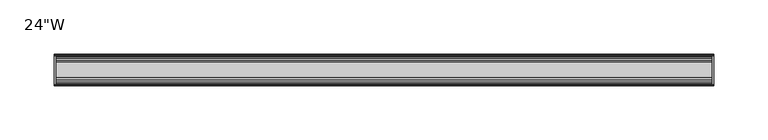
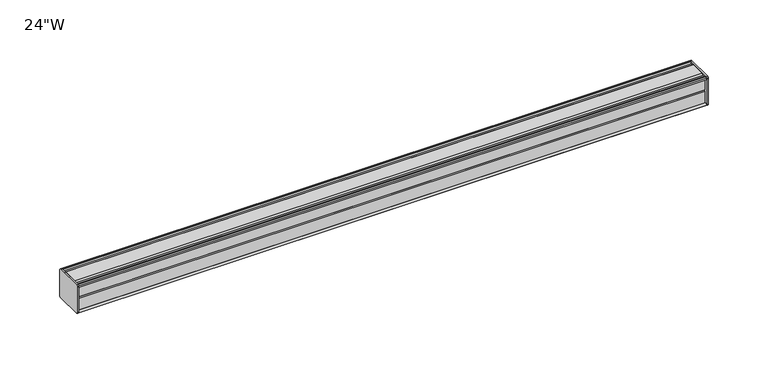
"""IFC4 building model written with IfcOpenShell, lengths in millimetres: furniture geometry."""

from ifc_helpers import new_model, si_unit, frame, origin, place, context, project, spatial, circle_curve, source, transform, mapped, element, save
from ifc_brep_helpers import plane_surface, cylinder_surface, advanced_brep


def furniture_b1a3b6d5(model_context):
    return source(origin(), model_context, "Body", "AdvancedBrep", [
        advanced_brep(
        [(303.2125, 14.5851562, 1107.2436262), (303.2125, 14.5851562, 1081.0932877), (303.2125, 14.4138595, 1080.2873997), (303.2125, 13.8374434, 1079.7109837), (303.2125, 12.9019306, 1079.4603131), (303.2125, -13.4067434, 1079.4603131), (303.2125, -14.3040014, 1080.3575711), (303.2125, -14.5851563, 1081.1259798), (303.2125, -14.5851563, 1107.0443327), (303.2125, -14.3040014, 1107.8127414), (303.2125, -13.4464303, 1108.6703125), (303.2125, 13.0500437, 1108.6703125), (303.2125, 13.8374434, 1108.4593288), (303.2125, 14.4138595, 1107.8829128), (304.8, 14.6248431, 1107.0955131), (304.8, 14.4138595, 1107.8829128), (304.8, 13.8374434, 1108.4593288), (304.8, 13.0500437, 1108.6703125), (304.8, -13.4464303, 1108.6703125), (304.8, -14.3040014, 1107.8127414), (304.8, -14.5851563, 1107.0443327), (304.8, -14.5851563, 1081.1259798), (304.8, -14.3040014, 1080.3575711), (304.8, -13.4067434, 1079.4603131), (304.8, 12.9019306, 1079.4603131), (304.8, 13.8374434, 1079.7109837), (304.8, 14.4138595, 1080.2873997), (304.8, 14.5851562, 1081.0932877)],
        [
            (0, 1),
            (1, 2),
            (2, 3),
            (3, 4),
            (4, 5),
            (5, 6),
            (6, 7, circle_curve(frame((303.2125, -13.3945313, 1081.1259798), z_axis=(-1.0, 0.0, 0.0), x_axis=(0.0, 1.0, 0.0)), 1.190625)),
            (7, 8),
            (8, 9, circle_curve(frame((303.2125, -13.3945313, 1107.0443327), z_axis=(-1.0, 0.0, 0.0), x_axis=(0.0, 1.0, 0.0)), 1.190625)),
            (9, 10),
            (10, 11),
            (11, 12),
            (12, 13),
            (13, 0),
            (14, 15),
            (15, 16),
            (16, 17),
            (17, 18),
            (18, 19),
            (19, 20, circle_curve(frame((304.8, -13.3945313, 1107.0443327), z_axis=(1.0, 0.0, 0.0), x_axis=(0.0, 1.0, 0.0)), 1.190625)),
            (20, 21),
            (21, 22, circle_curve(frame((304.8, -13.3945313, 1081.1259798), z_axis=(1.0, 0.0, 0.0), x_axis=(0.0, 1.0, 0.0)), 1.190625)),
            (22, 23),
            (23, 24),
            (24, 25),
            (25, 26),
            (26, 27),
            (27, 14),
            (13, 15),
            (14, 0),
            (12, 16),
            (11, 17),
            (10, 18),
            (9, 19),
            (8, 20),
            (7, 21),
            (6, 22),
            (5, 23),
            (4, 24),
            (3, 25),
            (2, 26),
            (1, 27),
        ],
        [
            plane_surface(frame((303.2125, 14.5851562, 1081.0932877), z_axis=(-1.0, 0.0, 0.0), x_axis=(0.0, 0.0, -1.0))),
            plane_surface(frame((304.8, 14.5851562, 1081.0932877), z_axis=(1.0, 0.0, 0.0), x_axis=(0.0, 0.0, 1.0))),
            plane_surface(frame((303.2125, 14.4138595, 1107.8829128), z_axis=(0.0, 0.9659256560349851, 0.25881968049857335), x_axis=(1.0, 0.0, 0.0))),
            plane_surface(frame((303.2125, 13.8374434, 1108.4593288), z_axis=(0.0, 0.7071067811866345, 0.7071067811864606), x_axis=(1.0, 0.0, 0.0))),
            plane_surface(frame((303.2125, 13.0500437, 1108.6703125), z_axis=(0.0, 0.2588196804711877, 0.9659256560423232), x_axis=(1.0, 0.0, 0.0))),
            plane_surface(frame((303.2125, -13.4464303, 1108.6703125), z_axis=(0.0, 0.0, 1.0), x_axis=(1.0, 0.0, 0.0))),
            plane_surface(frame((303.2125, -14.3040014, 1107.8127414), z_axis=(0.0, -0.70710678117674, 0.7071067811963553), x_axis=(1.0, 0.0, 0.0))),
            cylinder_surface(frame((304.8, -13.3945313, 1107.0443327), z_axis=(-1.0, 0.0, 0.0), x_axis=(0.0, 1.0, 0.0)), 1.190625),
            plane_surface(frame((303.2125, -14.5851563, 1081.1259798), z_axis=(0.0, -1.0, 0.0), x_axis=(1.0, 0.0, 0.0))),
            cylinder_surface(frame((304.8, -13.3945313, 1081.1259798), z_axis=(-1.0, 0.0, 0.0), x_axis=(0.0, 1.0, 0.0)), 1.190625),
            plane_surface(frame((303.2125, -13.4067434, 1079.4603131), z_axis=(0.0, -0.7071067811917087, -0.7071067811813864), x_axis=(1.0, 0.0, 0.0))),
            plane_surface(frame((303.2125, 12.9019306, 1079.4603131), z_axis=(0.0, 0.0, -1.0), x_axis=(1.0, 0.0, 0.0))),
            plane_surface(frame((303.2125, 13.8374434, 1079.7109837), z_axis=(0.0, 0.2588196804985645, -0.9659256560349875), x_axis=(1.0, 0.0, 0.0))),
            plane_surface(frame((303.2125, 14.4138595, 1080.2873997), z_axis=(0.0, 0.7071067811865204, -0.7071067811865748), x_axis=(1.0, 0.0, 0.0))),
            plane_surface(frame((303.2125, 14.5851562, 1081.0932877), z_axis=(0.0, 0.9781476007310527, -0.207911690830711), x_axis=(1.0, 0.0, 0.0))),
            plane_surface(frame((303.2125, 14.5851562, 1107.2436262), z_axis=(0.0, 1.0, 0.0), x_axis=(1.0, 0.0, 0.0))),
        ],
        [
            (0, [[1, 2, 3, 4, 5, 6, 7, 8, 9, 10, 11, 12, 13, 14]]),
            (1, [[15, 16, 17, 18, 19, 20, 21, 22, 23, 24, 25, 26, 27, 28]]),
            (2, [[-14, 29, -15, 30]]),
            (3, [[-13, 31, -16, -29]]),
            (4, [[-12, 32, -17, -31]]),
            (5, [[-11, 33, -18, -32]]),
            (6, [[-10, 34, -19, -33]]),
            (7, [[-9, 35, -20, -34]]),
            (8, [[-8, 36, -21, -35]]),
            (9, [[-7, 37, -22, -36]]),
            (10, [[-6, 38, -23, -37]]),
            (11, [[-5, 39, -24, -38]]),
            (12, [[-4, 40, -25, -39]]),
            (13, [[-3, 41, -26, -40]]),
            (14, [[-2, 42, -27, -41]]),
            (15, [[-1, -30, -28, -42]]),
        ],
    ),
        advanced_brep(
        [(-303.2125, 14.6248431, 1107.0955131), (-303.2125, 14.4138595, 1107.8829128), (-303.2125, 13.8374434, 1108.4593288), (-303.2125, 13.0500437, 1108.6703125), (-303.2125, -13.4464303, 1108.6703125), (-303.2125, -14.3040014, 1107.8127414), (-303.2125, -14.5851563, 1107.0443327), (-303.2125, -14.5851563, 1081.1259798), (-303.2125, -14.3040014, 1080.3575711), (-303.2125, -13.4067434, 1079.4603131), (-303.2125, 12.9019306, 1079.4603131), (-303.2125, 13.8374434, 1079.7109837), (-303.2125, 14.4138595, 1080.2873997), (-303.2125, 14.5851562, 1081.0932877), (-304.8, 14.5851562, 1107.2436262), (-304.8, 14.5851562, 1081.0932877), (-304.8, 14.4138595, 1080.2873997), (-304.8, 13.8374434, 1079.7109837), (-304.8, 12.9019306, 1079.4603131), (-304.8, -13.4067434, 1079.4603131), (-304.8, -14.3040014, 1080.3575711), (-304.8, -14.5851563, 1081.1259798), (-304.8, -14.5851563, 1107.0443327), (-304.8, -14.3040014, 1107.8127414), (-304.8, -13.4464303, 1108.6703125), (-304.8, 13.0500437, 1108.6703125), (-304.8, 13.8374434, 1108.4593288), (-304.8, 14.4138595, 1107.8829128)],
        [
            (0, 1),
            (1, 2),
            (2, 3),
            (3, 4),
            (4, 5),
            (5, 6, circle_curve(frame((-303.2125, -13.3945313, 1107.0443327), z_axis=(1.0, 0.0, 0.0), x_axis=(0.0, 1.0, 0.0)), 1.190625)),
            (6, 7),
            (7, 8, circle_curve(frame((-303.2125, -13.3945313, 1081.1259798), z_axis=(1.0, 0.0, 0.0), x_axis=(0.0, 1.0, 0.0)), 1.190625)),
            (8, 9),
            (9, 10),
            (10, 11),
            (11, 12),
            (12, 13),
            (13, 0),
            (14, 15),
            (15, 16),
            (16, 17),
            (17, 18),
            (18, 19),
            (19, 20),
            (20, 21, circle_curve(frame((-304.8, -13.3945313, 1081.1259798), z_axis=(-1.0, 0.0, 0.0), x_axis=(0.0, 1.0, 0.0)), 1.190625)),
            (21, 22),
            (22, 23, circle_curve(frame((-304.8, -13.3945313, 1107.0443327), z_axis=(-1.0, 0.0, 0.0), x_axis=(0.0, 1.0, 0.0)), 1.190625)),
            (23, 24),
            (24, 25),
            (25, 26),
            (26, 27),
            (27, 14),
            (0, 14),
            (27, 1),
            (26, 2),
            (25, 3),
            (24, 4),
            (23, 5),
            (22, 6),
            (21, 7),
            (20, 8),
            (19, 9),
            (18, 10),
            (17, 11),
            (16, 12),
            (15, 13),
        ],
        [
            plane_surface(frame((-303.2125, 14.6248431, 1107.0955131), z_axis=(1.0000000000000002, 0.0, 0.0), x_axis=(0.0, -0.25881968043900594, 0.9659256560509463))),
            plane_surface(frame((-304.8, 14.6248431, 1107.0955131), z_axis=(-1.0000000000000002, 0.0, 0.0), x_axis=(0.0, 0.25881968043900594, -0.9659256560509463))),
            plane_surface(frame((-303.2125, 14.6248431, 1107.0955131), z_axis=(0.0, 0.9659256560509463, 0.25881968043900594), x_axis=(-1.0, 0.0, 0.0))),
            plane_surface(frame((-303.2125, 14.4138595, 1107.8829128), z_axis=(0.0, 0.7071067810675442, 0.7071067813055509), x_axis=(-1.0, 0.0, 0.0))),
            plane_surface(frame((-303.2125, 13.8374434, 1108.4593288), z_axis=(0.0, 0.25881968048355775, 0.9659256560390086), x_axis=(-1.0, 0.0, 0.0))),
            plane_surface(frame((-303.2125, 13.0500437, 1108.6703125), z_axis=(0.0, 0.0, 1.0), x_axis=(-1.0, 0.0, 0.0))),
            plane_surface(frame((-303.2125, -13.4464303, 1108.6703125), z_axis=(0.0, -0.7071067811880787, 0.7071067811850164), x_axis=(-1.0, 0.0, 0.0))),
            cylinder_surface(frame((-304.8, -13.3945313, 1107.0443327), z_axis=(1.0, 0.0, 0.0), x_axis=(0.0, 1.0, 0.0)), 1.190625),
            plane_surface(frame((-303.2125, -14.5851563, 1107.0443327), z_axis=(0.0, -1.0, 0.0), x_axis=(-1.0, 0.0, 0.0))),
            cylinder_surface(frame((-304.8, -13.3945313, 1081.1259798), z_axis=(1.0, 0.0, 0.0), x_axis=(0.0, 1.0, 0.0)), 1.190625),
            plane_surface(frame((-303.2125, -14.3040014, 1080.3575711), z_axis=(0.0, -0.7071067811864808, -0.7071067811866142), x_axis=(-1.0, 0.0, 0.0))),
            plane_surface(frame((-303.2125, -13.4067434, 1079.4603131), z_axis=(0.0, 0.0, -1.0), x_axis=(-1.0, 0.0, 0.0))),
            plane_surface(frame((-303.2125, 12.9019306, 1079.4603131), z_axis=(0.0, 0.25881968049856513, -0.9659256560349874), x_axis=(-1.0, 0.0, 0.0))),
            plane_surface(frame((-303.2125, 13.8374434, 1079.7109837), z_axis=(0.0, 0.707106781186519, -0.7071067811865761), x_axis=(-1.0, 0.0, 0.0))),
            plane_surface(frame((-303.2125, 14.4138595, 1080.2873997), z_axis=(0.0, 0.9781476007314348, -0.20791169082891317), x_axis=(-1.0, 0.0, 0.0))),
            plane_surface(frame((-303.2125, 14.5851562, 1081.0932877), z_axis=(0.0, 1.0, 0.0), x_axis=(-1.0, 0.0, 0.0))),
        ],
        [
            (0, [[1, 2, 3, 4, 5, 6, 7, 8, 9, 10, 11, 12, 13, 14]]),
            (1, [[15, 16, 17, 18, 19, 20, 21, 22, 23, 24, 25, 26, 27, 28]]),
            (2, [[-1, 29, -28, 30]]),
            (3, [[-2, -30, -27, 31]]),
            (4, [[-3, -31, -26, 32]]),
            (5, [[-4, -32, -25, 33]]),
            (6, [[-5, -33, -24, 34]]),
            (7, [[-6, -34, -23, 35]]),
            (8, [[-7, -35, -22, 36]]),
            (9, [[-8, -36, -21, 37]]),
            (10, [[-9, -37, -20, 38]]),
            (11, [[-10, -38, -19, 39]]),
            (12, [[-11, -39, -18, 40]]),
            (13, [[-12, -40, -17, 41]]),
            (14, [[-13, -41, -16, 42]]),
            (15, [[-14, -42, -15, -29]]),
        ],
    ),
        advanced_brep(
        [(303.2125, -7.3748315, 1108.6703125), (303.2125, -8.9105708, 1107.6395796), (303.2125, -10.7601399, 1107.6395796), (303.2125, -12.2958792, 1108.6703125), (303.2125, -13.4464303, 1108.6703125), (303.2125, -14.3040014, 1107.8127414), (303.2125, -13.3945313, 1105.8537077), (303.2125, -13.3945313, 1106.765312), (303.2125, -12.2039063, 1106.765312), (303.2125, -12.2039063, 1094.8590632), (303.2125, -11.4101564, 1094.0653134), (303.2125, -12.2039063, 1093.2715636), (303.2125, -12.2039063, 1081.3653131), (303.2125, -13.3945313, 1081.3653131), (303.2125, -13.3945313, 1082.3166048), (303.2125, -14.3040014, 1080.3575711), (303.2125, -13.4067434, 1079.4603131), (303.2125, -12.2958792, 1079.4603131), (303.2125, -10.7601399, 1080.4910471), (303.2125, -8.9105708, 1080.4910471), (303.2125, -7.4339628, 1079.5), (303.2125, 7.4145184, 1079.5), (303.2125, 8.9502576, 1080.5307329), (303.2125, 10.7998291, 1080.5307329), (303.2125, 12.2275037, 1079.5), (303.2125, 13.0500437, 1079.5), (303.2125, 13.8374434, 1079.7109837), (303.2125, 14.4138595, 1080.2873997), (303.2125, 14.5851562, 1081.0932877), (303.2125, 14.5851562, 1107.2436262), (303.2125, 14.4138595, 1107.8829128), (303.2125, 13.8374434, 1108.4593288), (303.2125, 13.0500437, 1108.6703125), (303.2125, 12.2275037, 1108.6703125), (303.2125, 10.7998291, 1107.6395796), (303.2125, 8.9502576, 1107.6395796), (303.2125, 7.4145184, 1108.6703125), (-303.2125, -7.3748315, 1108.6703125), (-303.2125, 7.4145184, 1108.6703125), (-303.2125, 8.9502576, 1107.6395796), (-303.2125, 10.7998291, 1107.6395796), (-303.2125, 12.2275037, 1108.6703125), (-303.2125, 13.0500437, 1108.6703125), (-303.2125, 13.8374434, 1108.4593288), (-303.2125, 14.4138595, 1107.8829128), (-303.2125, 14.6248431, 1107.0955131), (-303.2125, 14.5851562, 1081.0932877), (-303.2125, 14.4138595, 1080.2873997), (-303.2125, 13.8374434, 1079.7109837), (-303.2125, 13.0500437, 1079.5), (-303.2125, 12.2275037, 1079.5), (-303.2125, 10.7998291, 1080.5307329), (-303.2125, 8.9502576, 1080.5307329), (-303.2125, 7.4145184, 1079.5), (-303.2125, -7.4339628, 1079.5), (-303.2125, -8.9105708, 1080.4910471), (-303.2125, -10.7601399, 1080.4910471), (-303.2125, -12.2958792, 1079.4603131), (-303.2125, -13.4067434, 1079.4603131), (-303.2125, -14.3040014, 1080.3575711), (-303.2125, -13.3945313, 1082.3166048), (-303.2125, -13.3945313, 1081.3653131), (-303.2125, -12.2039063, 1081.3653131), (-303.2125, -12.2039063, 1093.2715636), (-303.2125, -11.4101564, 1094.0653134), (-303.2125, -12.2039063, 1094.8590632), (-303.2125, -12.2039063, 1106.765312), (-303.2125, -13.3945313, 1106.765312), (-303.2125, -13.3945313, 1105.8537077), (-303.2125, -14.3040014, 1107.8127414), (-303.2125, -13.4464303, 1108.6703125), (-303.2125, -12.2958792, 1108.6703125), (-303.2125, -10.7601399, 1107.6395796), (-303.2125, -8.9105708, 1107.6395796)],
        [
            (0, 1),
            (1, 2),
            (2, 3),
            (3, 4),
            (4, 5),
            (5, 6, circle_curve(frame((303.2125, -13.3945313, 1107.0443327), z_axis=(1.0, 0.0, 0.0), x_axis=(0.0, 1.0, 0.0)), 1.190625)),
            (6, 7),
            (7, 8),
            (8, 9),
            (9, 10),
            (10, 11),
            (11, 12),
            (12, 13),
            (13, 14),
            (14, 15, circle_curve(frame((303.2125, -13.3945313, 1081.1259798), z_axis=(1.0, 0.0, 0.0), x_axis=(0.0, 1.0, 0.0)), 1.190625)),
            (15, 16),
            (16, 17),
            (17, 18),
            (18, 19),
            (19, 20),
            (20, 21),
            (21, 22),
            (22, 23),
            (23, 24),
            (24, 25),
            (25, 26),
            (26, 27),
            (27, 28),
            (28, 29),
            (29, 30),
            (30, 31),
            (31, 32),
            (32, 33),
            (33, 34),
            (34, 35),
            (35, 36),
            (36, 0),
            (37, 38),
            (38, 39),
            (39, 40),
            (40, 41),
            (41, 42),
            (42, 43),
            (43, 44),
            (44, 45),
            (45, 46),
            (46, 47),
            (47, 48),
            (48, 49),
            (49, 50),
            (50, 51),
            (51, 52),
            (52, 53),
            (53, 54),
            (54, 55),
            (55, 56),
            (56, 57),
            (57, 58),
            (58, 59),
            (59, 60, circle_curve(frame((-303.2125, -13.3945313, 1081.1259798), z_axis=(-1.0, 0.0, 0.0), x_axis=(0.0, 1.0, 0.0)), 1.190625)),
            (60, 61),
            (61, 62),
            (62, 63),
            (63, 64),
            (64, 65),
            (65, 66),
            (66, 67),
            (67, 68),
            (68, 69, circle_curve(frame((-303.2125, -13.3945313, 1107.0443327), z_axis=(-1.0, 0.0, 0.0), x_axis=(0.0, 1.0, 0.0)), 1.190625)),
            (69, 70),
            (70, 71),
            (71, 72),
            (72, 73),
            (73, 37),
            (0, 37),
            (73, 1),
            (72, 2),
            (71, 3),
            (70, 4),
            (69, 5),
            (68, 6),
            (67, 7),
            (66, 8),
            (65, 9),
            (64, 10),
            (63, 11),
            (62, 12),
            (61, 13),
            (60, 14),
            (59, 15),
            (58, 16),
            (57, 17),
            (56, 18),
            (55, 19),
            (54, 20),
            (53, 21),
            (52, 22),
            (51, 23),
            (50, 24),
            (49, 25),
            (48, 26),
            (47, 27),
            (46, 28),
            (45, 29),
            (44, 30),
            (43, 31),
            (42, 32),
            (41, 33),
            (40, 34),
            (39, 35),
            (38, 36),
        ],
        [
            plane_surface(frame((303.2125, -7.3748315, 1108.6703125), z_axis=(1.0, 0.0, 0.0), x_axis=(0.0, -0.8303227972604666, -0.5572827400427488))),
            plane_surface(frame((-303.2125, -7.3748315, 1108.6703125), z_axis=(-1.0, 0.0, 0.0), x_axis=(0.0, 0.8303227972604666, 0.5572827400427488))),
            plane_surface(frame((303.2125, -7.3748315, 1108.6703125), z_axis=(0.0, -0.5572827400427488, 0.8303227972604666), x_axis=(-1.0, 0.0, 0.0))),
            plane_surface(frame((303.2125, -8.9105708, 1107.6395796), z_axis=(0.0, 0.0, 1.0), x_axis=(-1.0, 0.0, 0.0))),
            plane_surface(frame((303.2125, -10.7601399, 1107.6395796), z_axis=(0.0, 0.5572827400427491, 0.8303227972604665), x_axis=(-1.0, 0.0, 0.0))),
            plane_surface(frame((303.2125, -12.2958792, 1108.6703125), z_axis=(0.0, 0.0, 1.0), x_axis=(-1.0, 0.0, 0.0))),
            plane_surface(frame((303.2125, -13.4464303, 1108.6703125), z_axis=(0.0, -0.7071067811811537, 0.7071067811919414), x_axis=(-1.0, 0.0, 0.0))),
            cylinder_surface(frame((-303.2125, -13.3945313, 1107.0443327), z_axis=(1.0, 0.0, 0.0), x_axis=(0.0, 1.0, 0.0)), 1.190625),
            plane_surface(frame((303.2125, -13.3945313, 1105.8537077), z_axis=(0.0, 1.0, 0.0), x_axis=(-1.0, 0.0, 0.0))),
            plane_surface(frame((303.2125, -13.3945313, 1106.765312), z_axis=(0.0, 0.0, -1.0), x_axis=(-1.0, 0.0, 0.0))),
            plane_surface(frame((303.2125, -12.2039063, 1106.765312), z_axis=(0.0, -1.0, 0.0), x_axis=(-1.0, 0.0, 0.0))),
            plane_surface(frame((303.2125, -12.2039063, 1094.8590632), z_axis=(0.0, -0.7071067811865155, -0.7071067811865795), x_axis=(-1.0, 0.0, 0.0))),
            plane_surface(frame((303.2125, -11.4101564, 1094.0653134), z_axis=(0.0, -0.7071067811865522, 0.7071067811865428), x_axis=(-1.0, 0.0, 0.0))),
            plane_surface(frame((303.2125, -12.2039063, 1093.2715636), z_axis=(0.0, -1.0, 0.0), x_axis=(-1.0, 0.0, 0.0))),
            plane_surface(frame((303.2125, -12.2039063, 1081.3653131), z_axis=(0.0, 0.0, 1.0), x_axis=(-1.0, 0.0, 0.0))),
            plane_surface(frame((303.2125, -13.3945313, 1081.3653131), z_axis=(0.0, 1.0, 0.0), x_axis=(-1.0, 0.0, 0.0))),
            cylinder_surface(frame((-303.2125, -13.3945313, 1081.1259798), z_axis=(1.0, 0.0, 0.0), x_axis=(0.0, 1.0, 0.0)), 1.190625),
            plane_surface(frame((303.2125, -14.3040014, 1080.3575711), z_axis=(0.0, -0.7071067811865884, -0.7071067811865067), x_axis=(-1.0, 0.0, 0.0))),
            plane_surface(frame((303.2125, -13.4067434, 1079.4603131), z_axis=(0.0, 0.0, -1.0), x_axis=(-1.0, 0.0, 0.0))),
            plane_surface(frame((303.2125, -12.2958792, 1079.4603131), z_axis=(0.0, 0.5572831632988446, -0.8303225131860712), x_axis=(-1.0, 0.0, 0.0))),
            plane_surface(frame((303.2125, -10.7601399, 1080.4910471), z_axis=(0.0, 0.0, -1.0), x_axis=(-1.0, 0.0, 0.0))),
            plane_surface(frame((303.2125, -8.9105708, 1080.4910471), z_axis=(0.0, -0.5572831633038827, -0.8303225131826898), x_axis=(-1.0, 0.0, 0.0))),
            plane_surface(frame((303.2125, -7.4339628, 1079.5), z_axis=(0.0, 0.0, -1.0), x_axis=(-1.0, 0.0, 0.0))),
            plane_surface(frame((303.2125, 7.4145184, 1079.5), z_axis=(0.0, 0.5572827400524372, -0.8303227972539643), x_axis=(-1.0, 0.0, 0.0))),
            plane_surface(frame((303.2125, 8.9502576, 1080.5307329), z_axis=(0.0, 0.0, -1.0), x_axis=(-1.0, 0.0, 0.0))),
            plane_surface(frame((303.2125, 10.7998291, 1080.5307329), z_axis=(0.0, -0.5853541342124147, -0.8107777362264177), x_axis=(-1.0, 0.0, 0.0))),
            plane_surface(frame((303.2125, 12.2275037, 1079.5), z_axis=(0.0, 0.0, -1.0), x_axis=(-1.0, 0.0, 0.0))),
            plane_surface(frame((303.2125, 13.0500437, 1079.5), z_axis=(0.0, 0.2588196804985639, -0.9659256560349877), x_axis=(-1.0, 0.0, 0.0))),
            plane_surface(frame((303.2125, 13.8374434, 1079.7109837), z_axis=(0.0, 0.7071067811865592, -0.7071067811865358), x_axis=(-1.0, 0.0, 0.0))),
            plane_surface(frame((303.2125, 14.4138595, 1080.2873997), z_axis=(0.0, 0.9781476007314349, -0.20791169082891267), x_axis=(-1.0, 0.0, 0.0))),
            plane_surface(frame((303.2125, 14.5851562, 1081.0932877), z_axis=(0.0, 1.0, 0.0), x_axis=(-1.0, 0.0, 0.0))),
            plane_surface(frame((303.2125, 14.6248431, 1107.0955131), z_axis=(0.0, 0.9659256560510352, 0.2588196804386741), x_axis=(-1.0, 0.0, 0.0))),
            plane_surface(frame((303.2125, 14.4138595, 1107.8829128), z_axis=(0.0, 0.7071067810667451, 0.70710678130635), x_axis=(-1.0, 0.0, 0.0))),
            plane_surface(frame((303.2125, 13.8374434, 1108.4593288), z_axis=(0.0, 0.25881968048369114, 0.9659256560389728), x_axis=(-1.0, 0.0, 0.0))),
            plane_surface(frame((303.2125, 13.0500437, 1108.6703125), z_axis=(0.0, 0.0, 1.0), x_axis=(-1.0, 0.0, 0.0))),
            plane_surface(frame((303.2125, 12.2275037, 1108.6703125), z_axis=(0.0, -0.5853541342075637, 0.8107777362299199), x_axis=(-1.0, 0.0, 0.0))),
            plane_surface(frame((303.2125, 10.7998291, 1107.6395796), z_axis=(0.0, 0.0, 1.0), x_axis=(-1.0, 0.0, 0.0))),
            plane_surface(frame((303.2125, 8.9502576, 1107.6395796), z_axis=(0.0, 0.5572827400427491, 0.8303227972604665), x_axis=(-1.0, 0.0, 0.0))),
            plane_surface(frame((303.2125, 7.4145184, 1108.6703125), z_axis=(0.0, 0.0, 1.0), x_axis=(-1.0, 0.0, 0.0))),
        ],
        [
            (0, [[1, 2, 3, 4, 5, 6, 7, 8, 9, 10, 11, 12, 13, 14, 15, 16, 17, 18, 19, 20, 21, 22, 23, 24, 25, 26, 27, 28, 29, 30, 31, 32, 33, 34, 35, 36, 37]]),
            (1, [[38, 39, 40, 41, 42, 43, 44, 45, 46, 47, 48, 49, 50, 51, 52, 53, 54, 55, 56, 57, 58, 59, 60, 61, 62, 63, 64, 65, 66, 67, 68, 69, 70, 71, 72, 73, 74]]),
            (2, [[-1, 75, -74, 76]]),
            (3, [[-2, -76, -73, 77]]),
            (4, [[-3, -77, -72, 78]]),
            (5, [[-4, -78, -71, 79]]),
            (6, [[-5, -79, -70, 80]]),
            (7, [[-6, -80, -69, 81]]),
            (8, [[-7, -81, -68, 82]]),
            (9, [[-8, -82, -67, 83]]),
            (10, [[-9, -83, -66, 84]]),
            (11, [[-10, -84, -65, 85]]),
            (12, [[-11, -85, -64, 86]]),
            (13, [[-12, -86, -63, 87]]),
            (14, [[-13, -87, -62, 88]]),
            (15, [[-14, -88, -61, 89]]),
            (16, [[-15, -89, -60, 90]]),
            (17, [[-16, -90, -59, 91]]),
            (18, [[-17, -91, -58, 92]]),
            (19, [[-18, -92, -57, 93]]),
            (20, [[-19, -93, -56, 94]]),
            (21, [[-20, -94, -55, 95]]),
            (22, [[-21, -95, -54, 96]]),
            (23, [[-22, -96, -53, 97]]),
            (24, [[-23, -97, -52, 98]]),
            (25, [[-24, -98, -51, 99]]),
            (26, [[-25, -99, -50, 100]]),
            (27, [[-26, -100, -49, 101]]),
            (28, [[-27, -101, -48, 102]]),
            (29, [[-28, -102, -47, 103]]),
            (30, [[-29, -103, -46, 104]]),
            (31, [[-30, -104, -45, 105]]),
            (32, [[-31, -105, -44, 106]]),
            (33, [[-32, -106, -43, 107]]),
            (34, [[-33, -107, -42, 108]]),
            (35, [[-34, -108, -41, 109]]),
            (36, [[-35, -109, -40, 110]]),
            (37, [[-36, -110, -39, 111]]),
            (38, [[-37, -111, -38, -75]]),
        ],
    ),
    ])


if __name__ == "__main__":
    model = new_model("IFC4")
    model_context = context("Model", 3, world=origin())
    ifc_project = project(units=[si_unit("LENGTHUNIT", "METRE", prefix="MILLI")], contexts=[model_context])
    site = spatial("IfcSite", under=ifc_project)
    building = spatial("IfcBuilding", under=site)
    placement = place(None, origin())
    furniture_shape = furniture_b1a3b6d5(model_context)
    element("IfcFurniture", 1, ObjectType="24\"W", at=placement, inside=building, context=model_context, shape_type="MappedRepresentation", body=[
        mapped(furniture_shape, transform((0.0, 0.0, 0.0), x_axis=(1.0, 0.0, 0.0), y_axis=(0.0, 1.0, 0.0), z_axis=(0.0, 0.0, 1.0))),
    ])
    save(model, "model.ifc")
